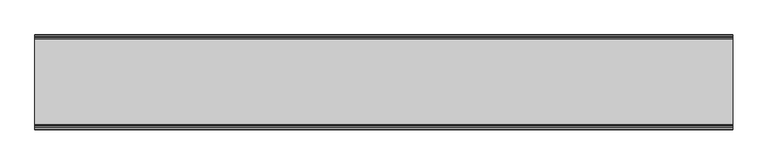
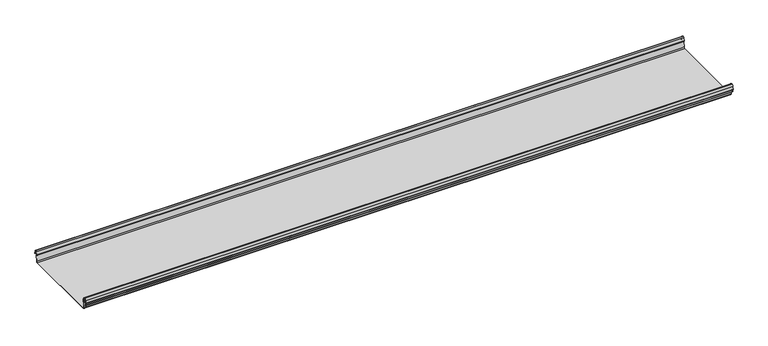
"""IFC4 building model written with IfcOpenShell, lengths in millimetres: beam geometry."""

from ifc_helpers import new_model, si_unit, frame, origin, place, context, project, spatial, polyline, circle_curve, source, transform, mapped, element, save
from ifc_brep_helpers import plane_surface, cylinder_surface, revolved_surface, advanced_brep


def beam_183e0588(model_context):
    return source(origin(), model_context, "Body", "AdvancedBrep", [
        advanced_brep(
        [(1305.1012987, 174.5298471, 17.4730576), (1305.1012987, 169.9958217, 21.2486363), (1305.1012987, 165.4890072, 17.6093124), (1305.1012987, 163.0420077, 6.2503755), (1305.1012987, 164.7006671, 3.7959761), (1305.1012987, 165.8698319, 2.0849359), (1305.1012987, 164.3793103, -21.3247551), (1305.1012987, 160.6848586, -24.7896475), (1305.1012987, -159.5640942, -24.7896475), (1305.1012987, -163.2568715, -21.3207217), (1305.1012987, -164.7263748, 2.1632779), (1305.1012987, -164.0984471, 3.0966958), (1305.1012987, -161.8868093, 6.1624874), (1305.1012987, -162.770348, 17.3389905), (1305.1012987, -170.0, 24.0196704), (1305.1012987, -177.229652, 17.3389905), (1305.1012987, -178.1131907, 6.1624874), (1305.1012987, -175.9015529, 3.0966958), (1305.1012987, -175.2736252, 2.1632779), (1305.1012987, -175.6653397, -4.0966758), (1305.1012987, -174.6633838, -4.0966758), (1305.1012987, -174.255975, 2.4140875), (1305.1012987, -175.661391, 4.0675496), (1305.1012987, -177.1158116, 6.08368), (1305.1012987, -176.2261211, 17.3379999), (1305.1012987, -170.0, 23.0196704), (1305.1012987, -163.767144, 17.2589936), (1305.1012987, -162.8795452, 6.0037927), (1305.1012987, -164.338609, 4.0675496), (1305.1012987, -165.744025, 2.4140875), (1305.1012987, -164.2549195, -21.3831743), (1305.1012987, -159.5640942, -25.7896475), (1305.1012987, 160.6846135, -25.7896475), (1305.1012987, 165.3772895, -21.3882975), (1305.1012987, 166.868024, 2.0247376), (1305.1012987, 164.9644432, 4.7613501), (1305.1012987, 164.0277999, 6.0779003), (1305.1012987, 166.4434849, 17.2822335), (1305.1012987, 170.0063307, 20.2496221), (1305.1012987, 173.4803249, 17.6539317), (1305.1012987, 175.5075757, 6.5459412), (1305.1012987, 176.5074356, 6.7299959), (-1305.1012987, 174.5298471, 17.4730576), (-1305.1012987, 176.5074356, 6.7299959), (-1305.1012987, 175.5075757, 6.5459412), (-1305.1012987, 173.4803249, 17.6539317), (-1305.1012987, 170.0063307, 20.2496221), (-1305.1012987, 166.4434849, 17.2822335), (-1305.1012987, 164.0277999, 6.0779003), (-1305.1012987, 164.9644432, 4.7613501), (-1305.1012987, 166.868024, 2.0247376), (-1305.1012987, 165.3772895, -21.3882975), (-1305.1012987, 160.6846135, -25.7896475), (-1305.1012987, -159.5640942, -25.7896475), (-1305.1012987, -164.2549195, -21.3831743), (-1305.1012987, -165.744025, 2.4140875), (-1305.1012987, -164.338609, 4.0675496), (-1305.1012987, -162.8795452, 6.0037927), (-1305.1012987, -163.767144, 17.2589936), (-1305.1012987, -170.0, 23.0196704), (-1305.1012987, -176.2261211, 17.3379999), (-1305.1012987, -177.1158116, 6.08368), (-1305.1012987, -175.661391, 4.0675496), (-1305.1012987, -174.255975, 2.4140875), (-1305.1012987, -174.6633838, -4.0966758), (-1305.1012987, -175.6653397, -4.0966758), (-1305.1012987, -175.2736252, 2.1632779), (-1305.1012987, -175.9015529, 3.0966958), (-1305.1012987, -178.1066021, 6.2458324), (-1305.1012987, -177.229652, 17.3389905), (-1305.1012987, -170.0, 24.0196704), (-1305.1012987, -162.770348, 17.3389905), (-1305.1012987, -161.8868093, 6.1624874), (-1305.1012987, -164.0984471, 3.0966958), (-1305.1012987, -164.7263748, 2.1632779), (-1305.1012987, -163.2568715, -21.3207217), (-1305.1012987, -159.5640942, -24.7896475), (-1305.1012987, 160.6848586, -24.7896475), (-1305.1012987, 164.3793103, -21.3247551), (-1305.1012987, 165.8698319, 2.0849359), (-1305.1012987, 164.7006671, 3.7959761), (-1305.1012987, 163.0420077, 6.2503755), (-1305.1012987, 165.4890072, 17.6093124), (-1305.1012987, 169.9958217, 21.2486363)],
        [
            (0, 1, circle_curve(frame((1305.1012987, 169.9958217, 16.6384317), z_axis=(1.0, 0.0, 0.0), x_axis=(0.0, 1.0, 0.0)), 4.6102046)),
            (1, 2, circle_curve(frame((1305.1012987, 169.9958217, 16.6384317), z_axis=(1.0, 0.0, 0.0), x_axis=(0.0, 0.2105938444020083, 0.9775736456656259)), 4.6102046)),
            (2, 3),
            (3, 4, circle_curve(frame((1305.1012987, 165.4262002, 6.073937), z_axis=(1.0, 0.0, 0.0), x_axis=(0.0, -0.9528378408797884, 0.30347989881958104)), 2.3907121)),
            (4, 5, circle_curve(frame((1305.1012987, 164.1897695, 2.1919074), z_axis=(-1.0, 0.0, 0.0), x_axis=(0.0, 0.06354246328302078, 0.9979791357337717)), 1.6834645)),
            (5, 6),
            (6, 7, circle_curve(frame((1305.1012987, 160.6867875, -21.089648), z_axis=(-1.0, 0.0, 0.0), x_axis=(0.0, 0.9999998641088232, -0.0005213274739325337)), 3.7)),
            (7, 8),
            (8, 9, circle_curve(frame((1305.1012987, -159.5640942, -21.0896475), z_axis=(-1.0, 0.0, 0.0), x_axis=(0.0, 0.062452508687223206, -0.9980479368039755)), 3.7)),
            (9, 10),
            (10, 11, circle_curve(frame((1305.1012987, -163.8044049, 2.2209698), z_axis=(-1.0, 0.0, 0.0), x_axis=(0.0, -0.9479881328261025, -0.31830567073314897)), 0.9237732)),
            (11, 12, circle_curve(frame((1305.1012987, -164.7984694, 5.9323112), z_axis=(1.0, 0.0, 0.0), x_axis=(0.0, 0.07880737243916666, -0.9968898625471294)), 2.9207441)),
            (12, 13),
            (13, 14, circle_curve(frame((1305.1012987, -170.0, 16.7674631), z_axis=(1.0, 0.0, 0.0), x_axis=(0.0, 1.0, 0.0)), 7.2522073)),
            (14, 15, circle_curve(frame((1305.1012987, -170.0, 16.7674631), z_axis=(1.0, 0.0, 0.0), x_axis=(0.0, 0.07880737243912425, 0.9968898625471327)), 7.2522073)),
            (15, 16),
            (16, 17, circle_curve(frame((1305.1012987, -175.2001089, 5.9344165), z_axis=(1.0, 0.0, 0.0), x_axis=(0.0, -0.9707819351134729, 0.2399634023290655)), 2.9231288)),
            (17, 18, circle_curve(frame((1305.1012987, -176.1025472, 2.2835649), z_axis=(-1.0, 0.0, 0.0), x_axis=(0.0, 0.14360843272178178, 0.9896345881441257)), 0.8376041)),
            (18, 19),
            (19, 20, circle_curve(frame((1305.1012987, -175.1643617, -4.0966758), z_axis=(1.0, 0.0, 0.0), x_axis=(0.0, 0.0, -1.0)), 0.5009779)),
            (20, 21),
            (21, 22, circle_curve(frame((1305.1012987, -176.1062911, 2.2653702), z_axis=(1.0, 0.0, 0.0), x_axis=(0.0, 0.9708537722163966, -0.23967259537375799)), 1.856283)),
            (22, 23, circle_curve(frame((1305.1012987, -175.2010412, 5.9323112), z_axis=(-1.0, 0.0, 0.0), x_axis=(0.0, -0.07880737243914376, -0.9968898625471312)), 1.9207441)),
            (23, 24),
            (24, 25, circle_curve(frame((1305.1012987, -170.0770494, 16.8518958), z_axis=(-1.0, 0.0, 0.0), x_axis=(0.0, -0.9999219808421378, 0.012491286112139365)), 6.1682558)),
            (25, 26, circle_curve(frame((1305.1012987, -170.0791743, 16.6817991), z_axis=(-1.0, 0.0, 0.0), x_axis=(0.0, -0.09106361391821856, 0.9958450774192508)), 6.3383658)),
            (26, 27),
            (27, 28, circle_curve(frame((1305.1012987, -164.70299, 5.8599936), z_axis=(-1.0, 0.0, 0.0), x_axis=(0.0, 0.9799562955839813, 0.19921259685401593)), 1.8291061)),
            (28, 29, circle_curve(frame((1305.1012987, -163.9886548, 2.3460727), z_axis=(1.0, 0.0, 0.0), x_axis=(0.0, 0.03871763325448635, 0.9992501913310655)), 1.7566874)),
            (29, 30),
            (30, 31, circle_curve(frame((1305.1012987, -159.5640942, -21.0896475), z_axis=(1.0, 0.0, 0.0), x_axis=(0.0, -1.0, 0.0)), 4.7)),
            (31, 32),
            (32, 33, circle_curve(frame((1305.1012987, 160.6846135, -21.0873301), z_axis=(1.0, 0.0, 0.0), x_axis=(0.0, -0.06400407594283139, -0.997949637137418)), 4.7023174)),
            (33, 34),
            (34, 35, circle_curve(frame((1305.1012987, 164.1939121, 2.1950013), z_axis=(1.0, 0.0, 0.0), x_axis=(0.0, 0.9577619201002135, -0.2875623487279797)), 2.6795268)),
            (35, 36, circle_curve(frame((1305.1012987, 165.0972859, 5.8473161), z_axis=(-1.0, 0.0, 0.0), x_axis=(0.0, -0.210759855052358, -0.9775378680635902)), 1.094061)),
            (36, 37),
            (37, 38, circle_curve(frame((1305.1012987, 170.0063307, 16.627032), z_axis=(-1.0, 0.0, 0.0), x_axis=(0.0, -1.0, 0.0)), 3.6225901)),
            (38, 39, circle_curve(frame((1305.1012987, 170.0063307, 16.627032), z_axis=(-1.0, 0.0, 0.0), x_axis=(0.0, -0.2834711363957483, 0.9589807687490417)), 3.6225901)),
            (39, 40),
            (40, 41, circle_curve(frame((1305.1012987, 176.0075057, 6.6379685), z_axis=(1.0, 0.0, 0.0), x_axis=(0.0, 0.18103878268247353, -0.9834759575937014)), 0.5083296)),
            (41, 0),
            (42, 43),
            (43, 44, circle_curve(frame((-1305.1012987, 176.0075057, 6.6379685), z_axis=(-1.0, 0.0, 0.0), x_axis=(0.0, 0.18103878268247353, -0.9834759575937014)), 0.5083296)),
            (44, 45),
            (45, 46, circle_curve(frame((-1305.1012987, 170.0063307, 16.627032), z_axis=(1.0, 0.0, 0.0), x_axis=(0.0, -0.2834711363957483, 0.9589807687490417)), 3.6225901)),
            (46, 47, circle_curve(frame((-1305.1012987, 170.0063307, 16.627032), z_axis=(1.0, 0.0, 0.0), x_axis=(0.0, -1.0, 0.0)), 3.6225901)),
            (47, 48),
            (48, 49, circle_curve(frame((-1305.1012987, 165.0972859, 5.8473161), z_axis=(1.0, 0.0, 0.0), x_axis=(0.0, -0.210759855052358, -0.9775378680635902)), 1.094061)),
            (49, 50, circle_curve(frame((-1305.1012987, 164.1939121, 2.1950013), z_axis=(-1.0, 0.0, 0.0), x_axis=(0.0, 0.9577619201002135, -0.2875623487279797)), 2.6795268)),
            (50, 51),
            (51, 52, circle_curve(frame((-1305.1012987, 160.6846135, -21.0873301), z_axis=(-1.0, 0.0, 0.0), x_axis=(0.0, -0.06400407594283139, -0.997949637137418)), 4.7023174)),
            (52, 53),
            (53, 54, circle_curve(frame((-1305.1012987, -159.5640942, -21.0896475), z_axis=(-1.0, 0.0, 0.0), x_axis=(0.0, -1.0, 0.0)), 4.7)),
            (54, 55),
            (55, 56, circle_curve(frame((-1305.1012987, -163.9886548, 2.3460727), z_axis=(-1.0, 0.0, 0.0), x_axis=(0.0, 0.03871763325448635, 0.9992501913310655)), 1.7566874)),
            (56, 57, circle_curve(frame((-1305.1012987, -164.70299, 5.8599936), z_axis=(1.0, 0.0, 0.0), x_axis=(0.0, 0.9799562955839813, 0.19921259685401593)), 1.8291061)),
            (57, 58),
            (58, 59, circle_curve(frame((-1305.1012987, -170.0791743, 16.6817991), z_axis=(1.0, 0.0, 0.0), x_axis=(0.0, -0.09106361391821856, 0.9958450774192508)), 6.3383658)),
            (59, 60, circle_curve(frame((-1305.1012987, -170.0770494, 16.8518958), z_axis=(1.0, 0.0, 0.0), x_axis=(0.0, -0.9999219808421378, 0.012491286112139365)), 6.1682558)),
            (60, 61),
            (61, 62, circle_curve(frame((-1305.1012987, -175.2010412, 5.9323112), z_axis=(1.0, 0.0, 0.0), x_axis=(0.0, -0.07880737243914376, -0.9968898625471312)), 1.9207441)),
            (62, 63, circle_curve(frame((-1305.1012987, -176.1062911, 2.2653702), z_axis=(-1.0, 0.0, 0.0), x_axis=(0.0, 0.9708537722163966, -0.23967259537375799)), 1.856283)),
            (63, 64),
            (64, 65, circle_curve(frame((-1305.1012987, -175.1643617, -4.0966758), z_axis=(-1.0, 0.0, 0.0), x_axis=(0.0, 0.0, -1.0)), 0.5009779)),
            (65, 66),
            (66, 67, circle_curve(frame((-1305.1012987, -176.1025472, 2.2835649), z_axis=(1.0, 0.0, 0.0), x_axis=(0.0, 0.14360843272178178, 0.9896345881441257)), 0.8376041)),
            (67, 68, circle_curve(frame((-1305.1012987, -175.2001089, 5.9344165), z_axis=(-1.0, 0.0, 0.0), x_axis=(0.0, -0.9707819351134729, 0.2399634023290655)), 2.9231288)),
            (68, 69),
            (69, 70, circle_curve(frame((-1305.1012987, -170.0, 16.7674631), z_axis=(-1.0, 0.0, 0.0), x_axis=(0.0, 0.07880737243912425, 0.9968898625471327)), 7.2522073)),
            (70, 71, circle_curve(frame((-1305.1012987, -170.0, 16.7674631), z_axis=(-1.0, 0.0, 0.0), x_axis=(0.0, 1.0, 0.0)), 7.2522073)),
            (71, 72),
            (72, 73, circle_curve(frame((-1305.1012987, -164.7984694, 5.9323112), z_axis=(-1.0, 0.0, 0.0), x_axis=(0.0, 0.07880737243916666, -0.9968898625471294)), 2.9207441)),
            (73, 74, circle_curve(frame((-1305.1012987, -163.8044049, 2.2209698), z_axis=(1.0, 0.0, 0.0), x_axis=(0.0, -0.9479881328261025, -0.31830567073314897)), 0.9237732)),
            (74, 75),
            (75, 76, circle_curve(frame((-1305.1012987, -159.5640942, -21.0896475), z_axis=(1.0, 0.0, 0.0), x_axis=(0.0, 0.062452508687223206, -0.9980479368039755)), 3.7)),
            (76, 77),
            (77, 78, circle_curve(frame((-1305.1012987, 160.6867875, -21.089648), z_axis=(1.0, 0.0, 0.0), x_axis=(0.0, 0.9999998641088232, -0.0005213274739325337)), 3.7)),
            (78, 79),
            (79, 80, circle_curve(frame((-1305.1012987, 164.1897695, 2.1919074), z_axis=(1.0, 0.0, 0.0), x_axis=(0.0, 0.06354246328302078, 0.9979791357337717)), 1.6834645)),
            (80, 81, circle_curve(frame((-1305.1012987, 165.4262002, 6.073937), z_axis=(-1.0, 0.0, 0.0), x_axis=(0.0, -0.9528378408797884, 0.30347989881958104)), 2.3907121)),
            (81, 82),
            (82, 83, circle_curve(frame((-1305.1012987, 169.9958217, 16.6384317), z_axis=(-1.0, 0.0, 0.0), x_axis=(0.0, 0.2105938444020083, 0.9775736456656259)), 4.6102046)),
            (83, 42, circle_curve(frame((-1305.1012987, 169.9958217, 16.6384317), z_axis=(-1.0, 0.0, 0.0), x_axis=(0.0, 1.0, 0.0)), 4.6102046)),
            (42, 0),
            (41, 43),
            (40, 44),
            (39, 45),
            (38, 46),
            (37, 47),
            (36, 48),
            (35, 49),
            (34, 50),
            (33, 51),
            (32, 52),
            (31, 53),
            (30, 54),
            (29, 55),
            (28, 56),
            (27, 57),
            (26, 58),
            (25, 59),
            (24, 60),
            (23, 61),
            (22, 62),
            (21, 63),
            (20, 64),
            (19, 65),
            (18, 66),
            (17, 67),
            (16, 68),
            (15, 69),
            (14, 70),
            (13, 71),
            (12, 72),
            (11, 73),
            (10, 74),
            (9, 75),
            (8, 76),
            (7, 77),
            (6, 78),
            (5, 79),
            (4, 80),
            (3, 81),
            (2, 82),
            (1, 83),
        ],
        [
            plane_surface(frame((1305.1012987, 176.5074356, 6.7299959), z_axis=(1.0000000000000002, 0.0, 0.0), x_axis=(0.0, -0.18103878268248824, 0.9834759575936989))),
            plane_surface(frame((-1305.1012987, 176.5074356, 6.7299959), z_axis=(-1.0000000000000002, 0.0, 0.0), x_axis=(0.0, 0.18103878268248824, -0.9834759575936989))),
            plane_surface(frame((1305.1012987, 175.5186413, 12.1015267), z_axis=(0.0, 0.9834759575937931, 0.18103878268197598), x_axis=(0.0, 0.18103878268197598, -0.9834759575937931))),
            cylinder_surface(frame((1305.1012987, 176.0075057, 6.6379685), z_axis=(-1.0, 0.0, 0.0), x_axis=(0.0, 0.18103878268247353, -0.9834759575937014)), 0.5083296),
            plane_surface(frame((1305.1012987, 174.4939503, 12.0999365), z_axis=(0.0, -0.9837509798366516, -0.17953832368168063), x_axis=(0.0, -0.17953832368168063, 0.9837509798366516))),
            revolved_surface(polyline([(-1305.1012987, 168.979430967657, 20.101026238960667), (1305.1012987, 168.979430967657, 20.101026238960667)]), (1305.1012987, 170.0063307, 16.627032), (-1.0, 0.0, 0.0)),
            revolved_surface(polyline([(-1305.1012987, 166.3837406, 16.627032), (1305.1012987, 166.3837406, 16.627032)]), (1305.1012987, 170.0063307, 16.627032), (-1.0, 0.0, 0.0)),
            plane_surface(frame((1305.1012987, 165.2356424, 11.6800669), z_axis=(0.0, 0.9775378680634891, -0.2107598550528272), x_axis=(0.0, -0.2107598550528272, -0.9775378680634891))),
            revolved_surface(polyline([(-1305.1012987, 164.86670176222157, 4.77783004252848), (1305.1012987, 164.86670176222157, 4.77783004252848)]), (1305.1012987, 165.0972859, 5.8473161), (-1.0, 0.0, 0.0)),
            cylinder_surface(frame((1305.1012987, 164.1939121, 2.1950013), z_axis=(-1.0, 0.0, 0.0), x_axis=(0.0, 0.9577619201002135, -0.2875623487279797)), 2.6795268),
            plane_surface(frame((1305.1012987, 166.1226567, -9.68178), z_axis=(0.0, 0.9979791357337514, -0.06354246328334037), x_axis=(0.0, -0.06354246328334037, -0.9979791357337514))),
            cylinder_surface(frame((1305.1012987, 160.6846135, -21.0873301), z_axis=(-1.0, 0.0, 0.0), x_axis=(0.0, -0.06400407594283139, -0.997949637137418)), 4.7023174),
            plane_surface(frame((1305.1012987, 0.5602597, -25.7896475), z_axis=(0.0, 0.0, -1.0), x_axis=(0.0, -1.0, 0.0))),
            cylinder_surface(frame((1305.1012987, -159.5640942, -21.0896475), z_axis=(-1.0, 0.0, 0.0), x_axis=(0.0, -1.0, 0.0)), 4.7),
            plane_surface(frame((1305.1012987, -164.9994722, -9.4845434), z_axis=(0.0, -0.99804793680396, -0.06245250868747398), x_axis=(0.0, -0.06245250868747398, 0.99804793680396))),
            cylinder_surface(frame((1305.1012987, -163.9886548, 2.3460727), z_axis=(-1.0, 0.0, 0.0), x_axis=(0.0, 0.03871763325448635, 0.9992501913310655)), 1.7566874),
            revolved_surface(polyline([(-1305.1012987, -162.91054596201394, 6.224374576102521), (1305.1012987, -162.91054596201394, 6.224374576102521)]), (1305.1012987, -164.70299, 5.8599936), (-1.0, 0.0, 0.0)),
            plane_surface(frame((1305.1012987, -163.3233446, 11.6313931), z_axis=(0.0, -0.9969048840807634, -0.07861712342689589), x_axis=(0.0, -0.07861712342689589, 0.9969048840807634))),
            revolved_surface(polyline([(-1305.1012987, -170.65636879608365, 22.99382948081253), (1305.1012987, -170.65636879608365, 22.99382948081253)]), (1305.1012987, -170.0791743, 16.6817991), (-1.0, 0.0, 0.0)),
            revolved_surface(polyline([(-1305.1012987, -176.244823957877, 16.928945248010663), (1305.1012987, -176.244823957877, 16.928945248010663)]), (1305.1012987, -170.0770494, 16.8518958), (-1.0, 0.0, 0.0)),
            plane_surface(frame((1305.1012987, -176.6709664, 11.71084), z_axis=(0.0, 0.9968898625470921, -0.07880737243963815), x_axis=(0.0, -0.07880737243963815, -0.9968898625470921))),
            revolved_surface(polyline([(-1305.1012987, -175.35240999564897, 4.017540878162787), (1305.1012987, -175.35240999564897, 4.017540878162787)]), (1305.1012987, -175.2010412, 5.9323112), (-1.0, 0.0, 0.0)),
            cylinder_surface(frame((1305.1012987, -176.1062911, 2.2653702), z_axis=(-1.0, 0.0, 0.0), x_axis=(0.0, 0.9708537722163966, -0.23967259537375799)), 1.856283),
            plane_surface(frame((1305.1012987, -174.4596794, -0.8412941), z_axis=(0.0, 0.9980479368039222, -0.06245250868807452), x_axis=(0.0, -0.06245250868807452, -0.9980479368039222))),
            cylinder_surface(frame((1305.1012987, -175.1643617, -4.0966758), z_axis=(-1.0, 0.0, 0.0), x_axis=(0.0, 0.0, -1.0)), 0.5009779),
            plane_surface(frame((1305.1012987, -175.4694824, -0.9666989), z_axis=(0.0, -0.9980479368040358, 0.06245250868626084), x_axis=(0.0, 0.06245250868626084, 0.9980479368040358))),
            revolved_surface(polyline([(-1305.1012987, -175.98226018795768, 3.112486888531331), (1305.1012987, -175.98226018795768, 3.112486888531331)]), (1305.1012987, -176.1025472, 2.2835649), (-1.0, 0.0, 0.0)),
            cylinder_surface(frame((1305.1012987, -175.2001089, 5.9344165), z_axis=(-1.0, 0.0, 0.0), x_axis=(0.0, -0.9707819351134729, 0.2399634023290655)), 2.9231288),
            plane_surface(frame((1305.1012987, -177.6714214, 11.7507389), z_axis=(0.0, -0.9968898625471735, 0.07880737243860966), x_axis=(0.0, 0.07880737243860966, 0.9968898625471735))),
            cylinder_surface(frame((1305.1012987, -170.0, 16.7674631), z_axis=(-1.0, 0.0, 0.0), x_axis=(0.0, 0.07880737243912425, 0.9968898625471327)), 7.2522073),
            cylinder_surface(frame((1305.1012987, -170.0, 16.7674631), z_axis=(-1.0, 0.0, 0.0), x_axis=(0.0, 1.0, 0.0)), 7.2522073),
            plane_surface(frame((1305.1012987, -162.3285786, 11.7507389), z_axis=(0.0, 0.9968898625471712, 0.07880737243863836), x_axis=(0.0, 0.07880737243863836, -0.9968898625471712))),
            cylinder_surface(frame((1305.1012987, -164.7984694, 5.9323112), z_axis=(-1.0, 0.0, 0.0), x_axis=(0.0, 0.07880737243916666, -0.9968898625471294)), 2.9207441),
            revolved_surface(polyline([(-1305.1012987, -164.6801309310228, 1.9269275519686928), (1305.1012987, -164.6801309310228, 1.9269275519686928)]), (1305.1012987, -163.8044049, 2.2209698), (-1.0, 0.0, 0.0)),
            plane_surface(frame((1305.1012987, -163.9916232, -9.5787219), z_axis=(0.0, 0.9980479368039906, 0.0624525086869835), x_axis=(0.0, 0.0624525086869835, -0.9980479368039906))),
            revolved_surface(polyline([(-1305.1012987, -159.33301991785729, -24.78242486617471), (1305.1012987, -159.33301991785729, -24.78242486617471)]), (1305.1012987, -159.5640942, -21.0896475), (-1.0, 0.0, 0.0)),
            plane_surface(frame((1305.1012987, 0.5603822, -24.7896475), z_axis=(0.0, 0.0, 1.0), x_axis=(0.0, 1.0, 0.0))),
            revolved_surface(polyline([(-1305.1012987, 164.38678699720265, -21.09157691165355), (1305.1012987, 164.38678699720265, -21.09157691165355)]), (1305.1012987, 160.6867875, -21.089648), (-1.0, 0.0, 0.0)),
            plane_surface(frame((1305.1012987, 165.1245711, -9.6199096), z_axis=(0.0, -0.9979791357337828, 0.06354246328284598), x_axis=(0.0, 0.06354246328284598, 0.9979791357337828))),
            revolved_surface(polyline([(-1305.1012987, 164.29674098117954, 3.871969846748486), (1305.1012987, 164.29674098117954, 3.871969846748486)]), (1305.1012987, 164.1897695, 2.1919074), (-1.0, 0.0, 0.0)),
            cylinder_surface(frame((1305.1012987, 165.4262002, 6.073937), z_axis=(-1.0, 0.0, 0.0), x_axis=(0.0, -0.9528378408797884, 0.30347989881958104)), 2.3907121),
            plane_surface(frame((1305.1012987, 164.2655075, 11.929844), z_axis=(0.0, -0.9775736456657296, 0.21059384440152715), x_axis=(0.0, 0.21059384440152715, 0.9775736456657296))),
            cylinder_surface(frame((1305.1012987, 169.9958217, 16.6384317), z_axis=(-1.0, 0.0, 0.0), x_axis=(0.0, 0.2105938444020083, 0.9775736456656259)), 4.6102046),
            cylinder_surface(frame((1305.1012987, 169.9958217, 16.6384317), z_axis=(-1.0, 0.0, 0.0), x_axis=(0.0, 1.0, 0.0)), 4.6102046),
        ],
        [
            (0, [[1, 2, 3, 4, 5, 6, 7, 8, 9, 10, 11, 12, 13, 14, 15, 16, 17, 18, 19, 20, 21, 22, 23, 24, 25, 26, 27, 28, 29, 30, 31, 32, 33, 34, 35, 36, 37, 38, 39, 40, 41, 42]]),
            (1, [[43, 44, 45, 46, 47, 48, 49, 50, 51, 52, 53, 54, 55, 56, 57, 58, 59, 60, 61, 62, 63, 64, 65, 66, 67, 68, 69, 70, 71, 72, 73, 74, 75, 76, 77, 78, 79, 80, 81, 82, 83, 84]]),
            (2, [[-43, 85, -42, 86]]),
            (3, [[-44, -86, -41, 87]]),
            (4, [[-45, -87, -40, 88]]),
            (5, [[-46, -88, -39, 89]]),
            (6, [[-47, -89, -38, 90]]),
            (7, [[-48, -90, -37, 91]]),
            (8, [[-49, -91, -36, 92]]),
            (9, [[-50, -92, -35, 93]]),
            (10, [[-51, -93, -34, 94]]),
            (11, [[-52, -94, -33, 95]]),
            (12, [[-53, -95, -32, 96]]),
            (13, [[-54, -96, -31, 97]]),
            (14, [[-55, -97, -30, 98]]),
            (15, [[-56, -98, -29, 99]]),
            (16, [[-57, -99, -28, 100]]),
            (17, [[-58, -100, -27, 101]]),
            (18, [[-59, -101, -26, 102]]),
            (19, [[-60, -102, -25, 103]]),
            (20, [[-61, -103, -24, 104]]),
            (21, [[-62, -104, -23, 105]]),
            (22, [[-63, -105, -22, 106]]),
            (23, [[-64, -106, -21, 107]]),
            (24, [[-65, -107, -20, 108]]),
            (25, [[-66, -108, -19, 109]]),
            (26, [[-67, -109, -18, 110]]),
            (27, [[-68, -110, -17, 111]]),
            (28, [[-69, -111, -16, 112]]),
            (29, [[-70, -112, -15, 113]]),
            (30, [[-71, -113, -14, 114]]),
            (31, [[-72, -114, -13, 115]]),
            (32, [[-73, -115, -12, 116]]),
            (33, [[-74, -116, -11, 117]]),
            (34, [[-75, -117, -10, 118]]),
            (35, [[-76, -118, -9, 119]]),
            (36, [[-77, -119, -8, 120]]),
            (37, [[-78, -120, -7, 121]]),
            (38, [[-79, -121, -6, 122]]),
            (39, [[-80, -122, -5, 123]]),
            (40, [[-81, -123, -4, 124]]),
            (41, [[-82, -124, -3, 125]]),
            (42, [[-83, -125, -2, 126]]),
            (43, [[-84, -126, -1, -85]]),
        ],
    ),
    ])


if __name__ == "__main__":
    model = new_model("IFC4")
    model_context = context("Model", 3, world=origin())
    ifc_project = project(units=[si_unit("LENGTHUNIT", "METRE", prefix="MILLI")], contexts=[model_context])
    site = spatial("IfcSite", under=ifc_project)
    building = spatial("IfcBuilding", under=site)
    placement = place(None, origin())
    beam_shape = beam_183e0588(model_context)
    element("IfcBeam", 1, at=placement, inside=building, context=model_context, shape_type="MappedRepresentation", body=[
        mapped(beam_shape, transform((0.0, 0.0, 0.0), x_axis=(1.0, 0.0, 0.0), y_axis=(0.0, 1.0, 0.0), z_axis=(0.0, 0.0, 1.0))),
    ])
    save(model, "model.ifc")
